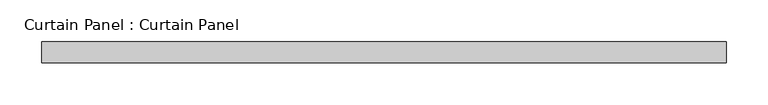
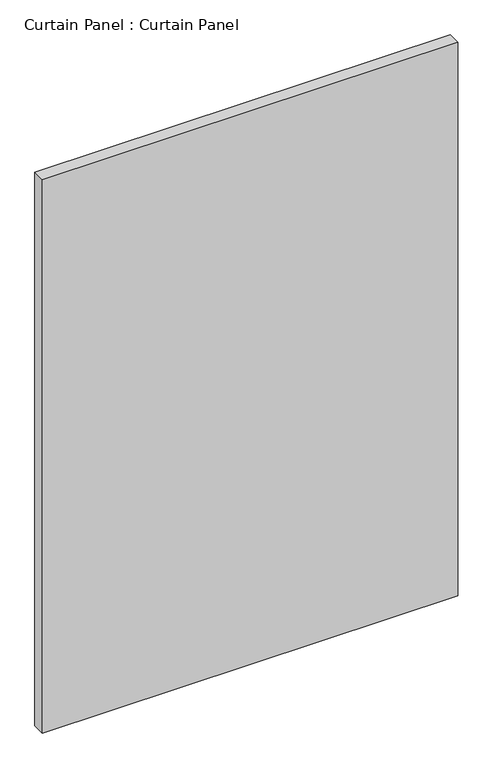
"""IFC4 building model written with IfcOpenShell, lengths in millimetres: plate geometry, Curtain Panel : Curtain Panel."""

from ifc_helpers import new_model, si_unit, frame, origin, place, context, project, spatial, polyline, outline, extrude, source, transform, mapped, element, save


def curtain_panel_curtain_panel_ae01677c(model_context):
    return source(origin(), model_context, "Body", "SweptSolid", [
        extrude(outline(polyline([(-174053.5003689, 4757.6387985), (-174874.2378689, 4757.6387985), (-174874.2378689, 4783.0387985), (-174053.5003689, 4783.0387985), (-174053.5003689, 4757.6387985)])), frame((0.0, 0.0, 46.0375), z_axis=(0.0, 0.0, 1.0), x_axis=(1.0, 0.0, 0.0)), (0.0, 0.0, 1.0), 1155.7),
    ])


if __name__ == "__main__":
    model = new_model("IFC4")
    model_context = context("Model", 3, world=origin())
    ifc_project = project(units=[si_unit("LENGTHUNIT", "METRE", prefix="MILLI")], contexts=[model_context])
    site = spatial("IfcSite", under=ifc_project)
    building = spatial("IfcBuilding", under=site)
    placement = place(None, origin())
    curtain_panel_curtain_panel_shape = curtain_panel_curtain_panel_ae01677c(model_context)
    element("IfcPlate", 1, ObjectType="Curtain Panel : Curtain Panel", at=placement, inside=building, context=model_context, shape_type="MappedRepresentation", body=[
        mapped(curtain_panel_curtain_panel_shape, transform((0.0, 0.0, 0.0), x_axis=(1.0, 0.0, 0.0), y_axis=(0.0, 1.0, 0.0), z_axis=(0.0, 0.0, 1.0))),
    ])
    save(model, "model.ifc")
